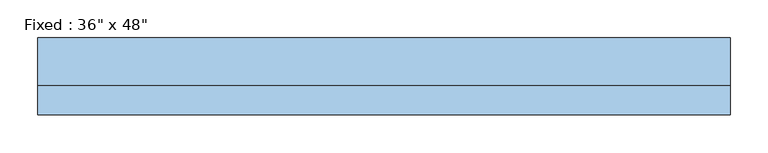
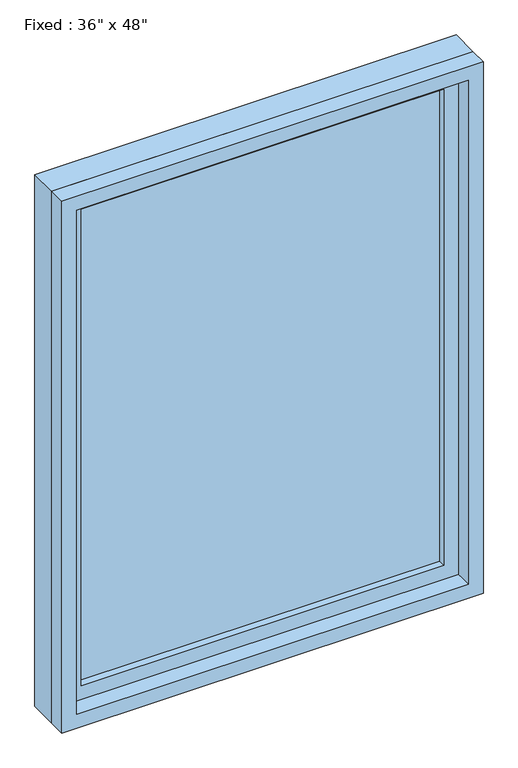
"""IFC4 building model written with IfcOpenShell, lengths in millimetres: window geometry."""

from ifc_helpers import new_model, si_unit, frame, origin, place, context, project, spatial, polyline, outline, extrude, source, transform, mapped, element, save


def window_d45db805(model_context):
    return source(origin(), model_context, "Body", "SweptSolid", [
        extrude(outline(polyline([(355.6, 3.175), (-431.8, 3.175), (-431.8, 15.875), (355.6, 15.875), (355.6, 3.175)])), frame((0.0, 0.0, 977.9), z_axis=(0.0, 0.0, 1.0), x_axis=(1.0, 0.0, 0.0)), (0.0, 0.0, 1.0), 1092.2),
        extrude(outline(polyline([(2114.55, -476.25), (933.45, -476.25), (933.45, 400.05), (2114.55, 400.05), (2114.55, -476.25)]), holes=[polyline([(2070.1, -431.8), (2070.1, 355.6), (977.9, 355.6), (977.9, -431.8), (2070.1, -431.8)])]), frame((0.0, -12.7, 0.0), z_axis=(0.0, 1.0, 0.0), x_axis=(0.0, 0.0, 1.0)), (0.0, 0.0, 1.0), 44.45),
        extrude(outline(polyline([(2133.6, -495.3), (914.4, -495.3), (914.4, 419.1), (2133.6, 419.1), (2133.6, -495.3)]), holes=[polyline([(2101.85, -463.55), (2101.85, 387.35), (946.15, 387.35), (946.15, -463.55), (2101.85, -463.55)])]), frame((0.0, -50.8, 0.0), z_axis=(0.0, 1.0, 0.0), x_axis=(0.0, 0.0, 1.0)), (0.0, 0.0, 1.0), 38.1),
        extrude(outline(polyline([(2133.6, 419.1), (2133.6, -495.3), (914.4, -495.3), (914.4, 419.1), (2133.6, 419.1)]), holes=[polyline([(2114.55, 400.05), (933.45, 400.05), (933.45, -476.25), (2114.55, -476.25), (2114.55, 400.05)])]), frame((0.0, -12.7, 0.0), z_axis=(0.0, 1.0, 0.0), x_axis=(0.0, 0.0, 1.0)), (0.0, 0.0, 1.0), 63.5),
    ])


if __name__ == "__main__":
    model = new_model("IFC4")
    model_context = context("Model", 3, world=origin())
    ifc_project = project(units=[si_unit("LENGTHUNIT", "METRE", prefix="MILLI")], contexts=[model_context])
    site = spatial("IfcSite", under=ifc_project)
    building = spatial("IfcBuilding", under=site)
    placement = place(None, origin())
    window_shape = window_d45db805(model_context)
    element("IfcWindow", 1, ObjectType="Fixed : 36\" x 48\"", at=placement, inside=building, context=model_context, shape_type="MappedRepresentation", body=[
        mapped(window_shape, transform((0.0, 0.0, 0.0), x_axis=(1.0, 0.0, 0.0), y_axis=(0.0, 1.0, 0.0), z_axis=(0.0, 0.0, 1.0))),
    ])
    save(model, "model.ifc")
